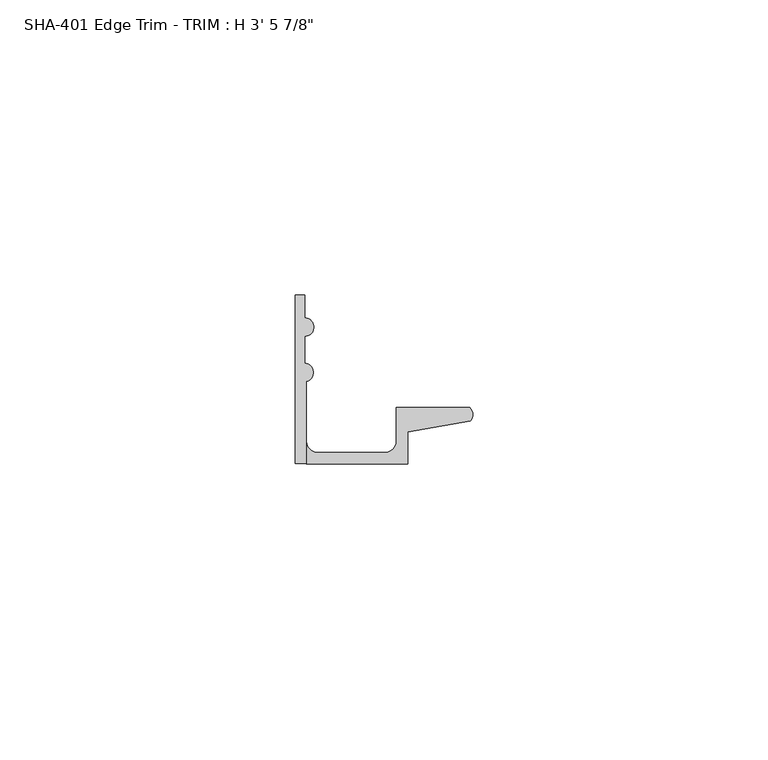
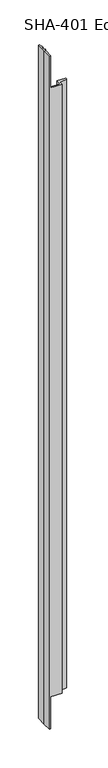
"""IFC4 building model written with IfcOpenShell, lengths in millimetres: proxy geometry."""

from ifc_helpers import new_model, si_unit, frame, origin, place, context, project, spatial, polyline, circle_curve, source, transform, mapped, element, save
from ifc_brep_helpers import plane_surface, cylinder_surface, revolved_surface, advanced_brep


def proxy_1b23a596(model_context):
    return source(origin(), model_context, "Body", "AdvancedBrep", [
        advanced_brep(
        [(0.0, 0.0, 1063.625), (1.905, 0.0, 1063.625), (1.905, 13.9230434, 1063.625), (1.5748, 17.018, 1063.625), (1.5748, 21.5549919, 1063.625), (1.5748, 24.7045919, 1063.625), (1.5748, 28.575, 1063.625), (0.0, 28.575, 1063.625), (0.0, 13.8696178, 1063.625), (1.905, 0.0, 0.0), (0.0, 0.0, 0.0), (0.0, 13.8696178, 0.0), (0.0, 28.575, 0.0), (1.5748, 28.575, 0.0), (1.5748, 24.7045919, 0.0), (1.5748, 21.5549919, 0.0), (1.5748, 17.018, 0.0), (1.905, 13.9230434, 0.0), (1.905, 0.0, 1012.825), (19.0246, 0.0, 1012.825), (19.0246, 5.392657, 1012.825), (29.6006869, 7.2036308, 1012.825), (29.5346031, 9.525, 1012.825), (17.1196, 9.525, 1012.825), (17.1196, 3.81, 1012.825), (15.2146, 1.905, 1012.825), (3.81, 1.905, 1012.825), (1.905, 3.81, 1012.825), (1.905, 3.81, 50.8), (3.81, 1.905, 50.8), (15.2146, 1.905, 50.8), (17.1196, 3.81, 50.8), (17.1196, 9.525, 50.8), (29.5346031, 9.525, 50.8), (29.6006869, 7.2036308, 50.8), (19.0246, 5.392657, 50.8), (19.0246, 0.0, 50.8), (1.905, 0.0, 50.8)],
        [
            (0, 1),
            (1, 2),
            (2, 3, circle_curve(frame((1.4838146, 15.4432, 1063.625), z_axis=(0.0, 0.0, 1.0), x_axis=(0.0, -1.0, 0.0)), 1.5774262)),
            (3, 4),
            (4, 5, circle_curve(frame((1.5748, 23.1297919, 1063.625), z_axis=(0.0, 0.0, 1.0), x_axis=(0.0, -1.0, 0.0)), 1.5748)),
            (5, 6),
            (6, 7),
            (7, 8),
            (8, 0),
            (9, 10),
            (10, 11),
            (11, 12),
            (12, 13),
            (13, 14),
            (14, 15, circle_curve(frame((1.5748, 23.1297919, 0.0), z_axis=(0.0, 0.0, -1.0), x_axis=(0.0, -1.0, 0.0)), 1.5748)),
            (15, 16),
            (16, 17, circle_curve(frame((1.4838146, 15.4432, 0.0), z_axis=(0.0, 0.0, -1.0), x_axis=(0.0, -1.0, 0.0)), 1.5774262)),
            (17, 9),
            (18, 19),
            (19, 20),
            (20, 21),
            (21, 22, circle_curve(frame((28.4438454, 8.3323235, 1012.825), z_axis=(0.0, 0.0, 1.0), x_axis=(0.0, -1.0, 0.0)), 1.6162393)),
            (22, 23),
            (23, 24),
            (24, 25, circle_curve(frame((15.2146, 3.81, 1012.825), z_axis=(0.0, 0.0, -1.0), x_axis=(0.0, -1.0, 0.0)), 1.905)),
            (25, 26),
            (26, 27, circle_curve(frame((3.81, 3.81, 1012.825), z_axis=(0.0, 0.0, -1.0), x_axis=(0.0, -1.0, 0.0)), 1.905)),
            (27, 18),
            (28, 29, circle_curve(frame((3.81, 3.81, 50.8), z_axis=(0.0, 0.0, 1.0), x_axis=(0.0, -1.0, 0.0)), 1.905)),
            (29, 30),
            (30, 31, circle_curve(frame((15.2146, 3.81, 50.8), z_axis=(0.0, 0.0, 1.0), x_axis=(0.0, -1.0, 0.0)), 1.905)),
            (31, 32),
            (32, 33),
            (33, 34, circle_curve(frame((28.4438454, 8.3323235, 50.8), z_axis=(0.0, 0.0, -1.0), x_axis=(0.0, -1.0, 0.0)), 1.6162393)),
            (34, 35),
            (35, 36),
            (36, 37),
            (37, 28),
            (20, 35),
            (34, 21),
            (19, 36),
            (9, 37),
            (18, 1),
            (0, 10),
            (8, 11),
            (7, 12),
            (6, 13),
            (5, 14),
            (4, 15),
            (3, 16),
            (2, 17),
            (27, 28),
            (26, 29),
            (25, 30),
            (24, 31),
            (23, 32),
            (22, 33),
        ],
        [
            plane_surface(frame((29.6006869, 7.2036308, 1063.625), z_axis=(0.0, 0.0, 1.0000000000000002), x_axis=(-0.9856543593991558, -0.16877643140391388, 0.0))),
            plane_surface(frame((29.6006869, 7.2036308, 0.0), z_axis=(0.0, 0.0, -1.0000000000000002), x_axis=(0.9856543593991558, 0.16877643140391388, 0.0))),
            plane_surface(frame((1.905, 9.525, 1012.825), z_axis=(0.0, 0.0, 1.0), x_axis=(0.0, -1.0, 0.0))),
            plane_surface(frame((30.1393415, 9.525, 50.8), z_axis=(0.0, 0.0, -1.0), x_axis=(0.0, -1.0, 0.0))),
            plane_surface(frame((29.6006869, 7.2036308, 1063.625), z_axis=(0.16877643140391388, -0.9856543593991558, 0.0), x_axis=(0.0, 0.0, -1.0))),
            plane_surface(frame((19.0246, 5.392657, 1063.625), z_axis=(1.0, 0.0, 0.0), x_axis=(0.0, 0.0, -1.0))),
            plane_surface(frame((19.0246, 0.0, 1063.625), z_axis=(0.0, -1.0, 0.0), x_axis=(0.0, 0.0, -1.0))),
            plane_surface(frame((0.0, 0.0, 1063.625), z_axis=(-1.0, 0.0, 0.0), x_axis=(0.0, 0.0, -1.0))),
            plane_surface(frame((0.0, 13.8696178, 1063.625), z_axis=(-1.0, 0.0, 0.0), x_axis=(0.0, 0.0, -1.0))),
            plane_surface(frame((0.0, 28.575, 1063.625), z_axis=(0.0, 1.0, 0.0), x_axis=(0.0, 0.0, -1.0))),
            plane_surface(frame((1.5748, 28.575, 1063.625), z_axis=(1.0, 0.0, 0.0), x_axis=(0.0, 0.0, -1.0))),
            cylinder_surface(frame((1.5748, 23.1297919, 0.0), z_axis=(0.0, 0.0, 1.0), x_axis=(0.0, -1.0, 0.0)), 1.5748),
            plane_surface(frame((1.5748, 21.5549919, 1063.625), z_axis=(1.0, 0.0, 0.0), x_axis=(0.0, 0.0, -1.0))),
            cylinder_surface(frame((1.4838146, 15.4432, 0.0), z_axis=(0.0, 0.0, 1.0), x_axis=(0.0, -1.0, 0.0)), 1.5774262),
            plane_surface(frame((1.905, 13.9230434, 1063.625), z_axis=(1.0, 0.0, 0.0), x_axis=(0.0, 0.0, -1.0))),
            revolved_surface(polyline([(3.81, 1.905, 50.8), (3.81, 1.905, 1012.825)]), (3.81, 3.81, 0.0), (0.0, 0.0, -1.0)),
            plane_surface(frame((3.81, 1.905, 1063.625), z_axis=(0.0, 1.0, 0.0), x_axis=(0.0, 0.0, -1.0))),
            revolved_surface(polyline([(15.2146, 1.905, 50.8), (15.2146, 1.905, 1012.825)]), (15.2146, 3.81, 0.0), (0.0, 0.0, -1.0)),
            plane_surface(frame((17.1196, 3.81, 1063.625), z_axis=(-1.0, 0.0, 0.0), x_axis=(0.0, 0.0, -1.0))),
            plane_surface(frame((17.1196, 9.525, 1063.625), z_axis=(0.0, 1.0, 0.0), x_axis=(0.0, 0.0, -1.0))),
            cylinder_surface(frame((28.4438454, 8.3323235, 0.0), z_axis=(0.0, 0.0, 1.0), x_axis=(0.0, -1.0, 0.0)), 1.6162393),
        ],
        [
            (0, [[1, 2, 3, 4, 5, 6, 7, 8, 9]]),
            (1, [[10, 11, 12, 13, 14, 15, 16, 17, 18]]),
            (2, [[19, 20, 21, 22, 23, 24, 25, 26, 27, 28]]),
            (3, [[29, 30, 31, 32, 33, 34, 35, 36, 37, 38]]),
            (4, [[-21, 39, -35, 40]]),
            (5, [[-20, 41, -36, -39]]),
            (6, [[-10, 42, -37, -41, -19, 43, -1, 44]]),
            (7, [[45, -11, -44, -9]]),
            (8, [[46, -12, -45, -8]]),
            (9, [[47, -13, -46, -7]]),
            (10, [[48, -14, -47, -6]]),
            (11, [[49, -15, -48, -5]]),
            (12, [[50, -16, -49, -4]]),
            (13, [[51, -17, -50, -3]]),
            (14, [[-2, -43, -28, 52, -38, -42, -18, -51]]),
            (15, [[-27, 53, -29, -52]]),
            (16, [[-26, 54, -30, -53]]),
            (17, [[-25, 55, -31, -54]]),
            (18, [[-24, 56, -32, -55]]),
            (19, [[-23, 57, -33, -56]]),
            (20, [[-34, -57, -22, -40]]),
        ],
    ),
    ])


if __name__ == "__main__":
    model = new_model("IFC4")
    model_context = context("Model", 3, world=origin())
    ifc_project = project(units=[si_unit("LENGTHUNIT", "METRE", prefix="MILLI")], contexts=[model_context])
    site = spatial("IfcSite", under=ifc_project)
    building = spatial("IfcBuilding", under=site)
    placement = place(None, origin())
    proxy_shape = proxy_1b23a596(model_context)
    element("IfcBuildingElementProxy", 1, Name="SHA-401 Edge Trim - TRIM : H 3' 5 7/8\"", ObjectType="SHA-401 Edge Trim - TRIM : H 3' 5 7/8\"", at=placement, inside=building, context=model_context, shape_type="MappedRepresentation", body=[
        mapped(proxy_shape, transform((0.0, 0.0, 0.0), x_axis=(1.0, 0.0, 0.0), y_axis=(0.0, 1.0, 0.0), z_axis=(0.0, 0.0, 1.0))),
    ])
    save(model, "model.ifc")
